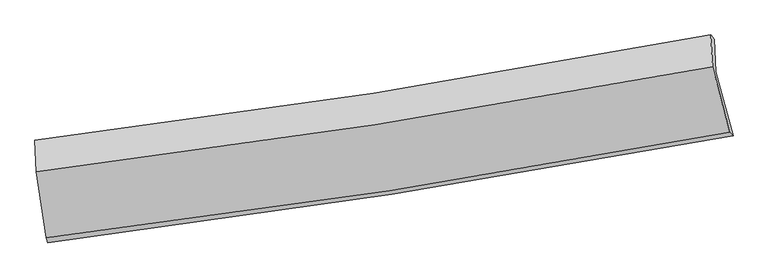
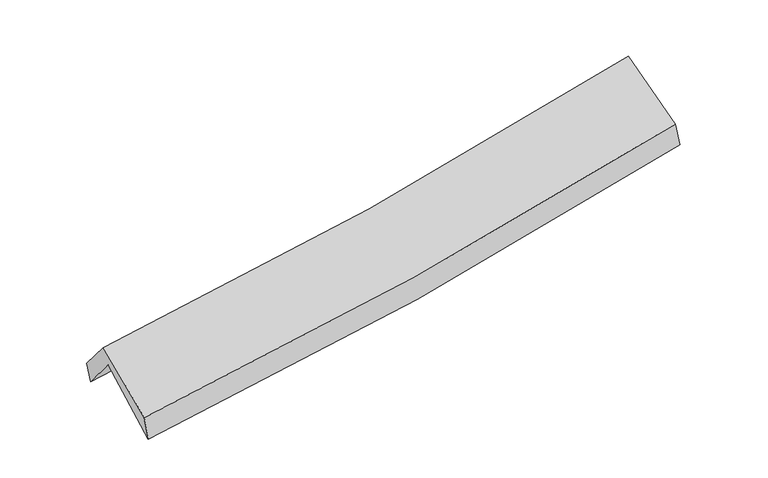
"""IFC4 building model written with IfcOpenShell, lengths in millimetres: proxy geometry."""

import ifcopenshell
import ifcopenshell.guid

model = None  # the IFC model being written
_history = None  # IfcOwnerHistory: only IFC2X3 demands one
_inside = {}  # id of a spatial element -> (the spatial element, [elements in it])
_under = {}  # id of a project, library or spatial element -> (it, [spatial elements below it])
_declared = {}  # id of a project -> (the project, [libraries it declares])
_typed = {}  # id of a type object -> (the type object, [elements of that type])
_made_of = {}  # id of a material, layer set ... -> (it, [elements and type objects made of it])


def new_model(schema):
    """Start an empty IFC model of exactly this schema.

    Asked for "IFC4X3", IfcOpenShell would pick the latest addendum, in which some entities
    have other attributes; the version numbers below select the first issue.
    IFC2X3 requires an IfcOwnerHistory on every rooted entity: one is made here for all.
    """
    global model, _history
    if schema == "IFC4X3":
        model = ifcopenshell.file(schema_version=(4, 3, 0, 0))
    else:
        model = ifcopenshell.file(schema=schema)
    _inside.clear()
    _under.clear()
    _declared.clear()
    _typed.clear()
    _made_of.clear()
    _history = None
    if model.schema == "IFC2X3":
        org = make("IfcOrganization", Name="unknown")
        user = make(
            "IfcPersonAndOrganization",
            ThePerson=make("IfcPerson", FamilyName="unknown"),
            TheOrganization=org,
        )
        app = make(
            "IfcApplication",
            ApplicationDeveloper=org,
            Version="unknown",
            ApplicationFullName="unknown",
            ApplicationIdentifier="unknown",
        )
        _history = make(
            "IfcOwnerHistory",
            OwningUser=user,
            OwningApplication=app,
            ChangeAction="ADDED",
            CreationDate=0,
        )
    return model


def make(cls, **values):
    """One entity of the class cls with the attributes given. An attribute that is None is left unset."""
    return model.create_entity(
        cls, **{name: value for name, value in values.items() if value is not None}
    )


def rooted(cls, **values):
    """An entity with a GlobalId (a new one), such as an element, a storey or a relation."""
    return make(cls, GlobalId=ifcopenshell.guid.new(), OwnerHistory=_history, **values)


def si_unit(unit_type, name, prefix=None):
    """IfcSIUnit, for example si_unit("LENGTHUNIT", "METRE", prefix="MILLI")."""
    return make("IfcSIUnit", UnitType=unit_type, Prefix=prefix, Name=name)


def assignment(units):
    """IfcUnitAssignment: the units of a project."""
    return None if units is None else make("IfcUnitAssignment", Units=units)


def point(xyz):
    """IfcCartesianPoint."""
    return None if xyz is None else make("IfcCartesianPoint", Coordinates=xyz)


def direction(xyz):
    """IfcDirection."""
    return None if xyz is None else make("IfcDirection", DirectionRatios=xyz)


def frame(location, z_axis=None, x_axis=None):
    """IfcAxis2Placement3D, a coordinate frame: its origin and axes. An axis left out is left unset."""
    return make(
        "IfcAxis2Placement3D",
        Location=point(location),
        Axis=direction(z_axis),
        RefDirection=direction(x_axis),
    )


def origin():
    """The frame at (0, 0, 0) with its axes left unset."""
    return frame((0.0, 0.0, 0.0))


def place(relative_to, where):
    """IfcLocalPlacement: puts the frame where relative to a parent placement (None: the world)."""
    return make(
        "IfcLocalPlacement", PlacementRelTo=relative_to, RelativePlacement=where
    )


def context(
    kind, dimensions, precision=None, world=None, true_north=None, identifier=None
):
    """IfcGeometricRepresentationContext, for example the 3D "Model" context."""
    return make(
        "IfcGeometricRepresentationContext",
        ContextIdentifier=identifier,
        ContextType=kind,
        CoordinateSpaceDimension=dimensions,
        Precision=precision,
        WorldCoordinateSystem=world,
        TrueNorth=true_north,
    )


def project(units=None, contexts=None):
    """IfcProject with its units and contexts."""
    return rooted(
        "IfcProject",
        Name="project",
        RepresentationContexts=contexts,
        UnitsInContext=assignment(units),
    )


def spatial(cls, under=None, at=None, **own):
    """A site, building, storey or space (cls), placed at a placement, below another one or the project."""
    s = rooted(cls, ObjectPlacement=at, **own)
    if under is not None:
        _under.setdefault(under.id(), (under, []))[1].append(s)
    return s


def shape(context_of_items, identifier, shape_type, items):
    """IfcShapeRepresentation: the items that make up one representation, for example the "Body"."""
    return make(
        "IfcShapeRepresentation",
        ContextOfItems=context_of_items,
        RepresentationIdentifier=identifier,
        RepresentationType=shape_type,
        Items=items,
    )


def source(mapping_origin, context_of_items, identifier, shape_type, items):
    """IfcRepresentationMap: a shape defined once, which mapped items show again and again."""
    return make(
        "IfcRepresentationMap",
        MappingOrigin=mapping_origin,
        MappedRepresentation=shape(context_of_items, identifier, shape_type, items),
    )


def transform(
    local_origin,
    x_axis=None,
    y_axis=None,
    z_axis=None,
    scale=None,
    scale2=None,
    scale3=None,
    uniform=True,
):
    """IfcCartesianTransformationOperator3D, or its non-uniform kind. x_axis, y_axis, z_axis: its Axis1, 2, 3."""
    if uniform:
        return make(
            "IfcCartesianTransformationOperator3D",
            Axis1=direction(x_axis),
            Axis2=direction(y_axis),
            LocalOrigin=point(local_origin),
            Scale=scale,
            Axis3=direction(z_axis),
        )
    return make(
        "IfcCartesianTransformationOperator3DnonUniform",
        Axis1=direction(x_axis),
        Axis2=direction(y_axis),
        LocalOrigin=point(local_origin),
        Scale=scale,
        Axis3=direction(z_axis),
        Scale2=scale2,
        Scale3=scale3,
    )


def mapped(mapping_source, mapping_target):
    """IfcMappedItem: shows the shape of a source again, moved by a transform."""
    return make(
        "IfcMappedItem", MappingSource=mapping_source, MappingTarget=mapping_target
    )


def made_of(thing, what):
    """Note that an element or type object is made of a material, layer set ...; save() writes the relation."""
    if what is not None:
        _made_of.setdefault(what.id(), (what, []))[1].append(thing)
    return thing


def element(
    cls,
    number,
    at=None,
    inside=None,
    cuts=None,
    type_object=None,
    material=None,
    context=None,
    identifier="Body",
    shape_type=None,
    held_by="IfcProductDefinitionShape",
    body=None,
    shapes=None,
    **own,
):
    """One element of the class cls, such as IfcWall. Its Tag is "e" and its number.

    at: its placement. inside: the storey or other place that contains it. cuts: it is an
    opening in that element (IfcRelVoidsElement). A single representation is given by context,
    identifier, shape_type and body (its items); several are given by shapes. held_by: the class
    of the entity that holds the representations. save() writes the other relations.
    """
    e = rooted(cls, Tag="e%d" % number, ObjectPlacement=at, **own)
    if body is not None:
        shapes = [shape(context, identifier, shape_type, body)]
    if shapes is not None:
        e.Representation = make(held_by, Representations=shapes)
    if inside is not None:
        _inside.setdefault(inside.id(), (inside, []))[1].append(e)
    if cuts is not None:
        rooted(
            "IfcRelVoidsElement", RelatingBuildingElement=cuts, RelatedOpeningElement=e
        )
    if type_object is not None:
        _typed.setdefault(type_object.id(), (type_object, []))[1].append(e)
    return made_of(e, material)


def aggregate(whole, parts):
    """IfcRelAggregates: a whole, such as a stair, and the parts it consists of."""
    return rooted("IfcRelAggregates", RelatingObject=whole, RelatedObjects=parts)


def save(model, path):
    """Write the relations noted so far, then the file.

    IfcRelAggregates (storeys below a building ...), IfcRelContainedInSpatialStructure (elements
    in a storey), IfcRelDefinesByType, IfcRelAssociatesMaterial and IfcRelDeclares: one each for
    every whole, place, type object, material and project.
    """
    for whole, parts in _under.values():
        aggregate(whole, parts)
    for where, things in _inside.values():
        rooted(
            "IfcRelContainedInSpatialStructure",
            RelatedElements=things,
            RelatingStructure=where,
        )
    for kind, things in _typed.values():
        rooted("IfcRelDefinesByType", RelatedObjects=things, RelatingType=kind)
    for what, things in _made_of.values():
        rooted("IfcRelAssociatesMaterial", RelatedObjects=things, RelatingMaterial=what)
    for by, libraries in _declared.values():
        rooted("IfcRelDeclares", RelatingContext=by, RelatedDefinitions=libraries)
    model.write(path)


def plane_surface(at):
    """IfcPlane: the flat surface through the origin of the frame at, square to its z axis."""
    return make("IfcPlane", Position=at)


def spline_curve(degree, points, multiplicities, knots, weights=None):
    """IfcBSplineCurveWithKnots; with weights, IfcRationalBSplineCurveWithKnots."""
    own = dict(
        Degree=degree,
        ControlPointsList=[point(p) for p in points],
        CurveForm="UNSPECIFIED",
        ClosedCurve=False,
        SelfIntersect=False,
        KnotMultiplicities=multiplicities,
        Knots=knots,
        KnotSpec="UNSPECIFIED",
    )
    if weights is None:
        return make("IfcBSplineCurveWithKnots", **own)
    return make("IfcRationalBSplineCurveWithKnots", WeightsData=weights, **own)


def spline_surface(u_degree, v_degree, points, u_multiplicities, v_multiplicities, u_knots, v_knots, weights=None):
    """IfcBSplineSurfaceWithKnots; with weights, IfcRationalBSplineSurfaceWithKnots. points: one row for each step in u."""
    own = dict(
        UDegree=u_degree,
        VDegree=v_degree,
        ControlPointsList=[[point(p) for p in row] for row in points],
        SurfaceForm="UNSPECIFIED",
        UClosed=False,
        VClosed=False,
        SelfIntersect=False,
        UMultiplicities=u_multiplicities,
        VMultiplicities=v_multiplicities,
        UKnots=u_knots,
        VKnots=v_knots,
        KnotSpec="UNSPECIFIED",
    )
    if weights is None:
        return make("IfcBSplineSurfaceWithKnots", **own)
    return make("IfcRationalBSplineSurfaceWithKnots", WeightsData=weights, **own)


def advanced_brep(points, edges, surfaces, faces):
    """IfcAdvancedBrep: a solid bounded by faces that lie on surfaces and meet in shared edges.

    An edge is (start, end): straight between two places in points (the first is 0);
    or (start, end, curve); or (start, end, curve, False) where it runs against its curve.
    A face is (place in surfaces, loops), or (place, loops, False) where it looks against
    its surface's normal. A loop lists edges by number (the first is 1), with a minus sign
    where the edge is run from its end to its start. The first loop is the outer one.
    """
    corners = [point(p) for p in points]
    vertices = [make("IfcVertexPoint", VertexGeometry=c) for c in corners]
    made = []
    for start, end, *more in edges:
        made.append(
            make(
                "IfcEdgeCurve",
                EdgeStart=vertices[start],
                EdgeEnd=vertices[end],
                EdgeGeometry=more[0] if more else make("IfcPolyline", Points=[corners[start], corners[end]]),
                SameSense=more[1] if len(more) > 1 else True,
            )
        )
    hull = []
    for where, loops, *sense in faces:
        bounds = []
        for j, loop in enumerate(loops):
            ring = [make("IfcOrientedEdge", EdgeElement=made[abs(k) - 1], Orientation=k > 0) for k in loop]
            bounds.append(
                make(
                    "IfcFaceOuterBound" if j == 0 else "IfcFaceBound",
                    Bound=make("IfcEdgeLoop", EdgeList=ring),
                    Orientation=True,
                )
            )
        hull.append(make("IfcAdvancedFace", Bounds=bounds, FaceSurface=surfaces[where], SameSense=sense[0] if sense else True))
    return make("IfcAdvancedBrep", Outer=make("IfcClosedShell", CfsFaces=hull))


def generic_models_6640aa74(model_context):
    return source(origin(), model_context, "Body", "AdvancedBrep", [
        advanced_brep(
        [(-2593.8029662, -2492.1463255, 1476.5674839), (-2670.533107, -1988.1020107, 1913.1494938), (2606.4597409, -1159.1804098, 2371.8322842), (2742.8027902, -1658.9121001, 1944.9786895), (-2682.1750758, -1732.5911081, 1601.5458272), (2595.0190006, -908.0859496, 2065.6146094), (-2694.3278654, -1694.4638288, 1758.7100379), (2569.3450889, -872.5351666, 2241.7388917), (-2683.2580434, -1937.4175986, 2054.999882), (2582.6631303, -1120.7855354, 2526.176424), (-2607.6255099, -2452.3669203, 1662.8945881), (2717.1103477, -1631.3296988, 2134.3025261)],
        [
            (0, 1),
            (1, 2, spline_curve(3, [(-2670.533107, -1988.1020107, 1913.1494938), (-1785.441223227, -1875.977191424, 1959.069266215), (-903.596388567, -1750.922634346, 2020.197554878), (855.414660457, -1474.668923656, 2173.028901745), (1732.567441597, -1323.416280172, 2264.794876472), (2606.4597409, -1159.1804098, 2371.8322842)], [4, 2, 4], [0.0, 8.837942834542423, 17.694147821044034])),
            (2, 3),
            (3, 0, spline_curve(3, [(2742.8027902, -1658.9121001, 1944.9786895), (1860.183944294, -1824.071910294, 1833.2416994), (973.694391139, -1976.146174596, 1738.315982803), (-805.190141402, -2253.837005152, 1582.248175175), (-1697.569173624, -2379.507482926, 1521.036822924), (-2593.8029662, -2492.1463255, 1476.5674839)], [4, 2, 4], [0.0, 8.856204986501611, 17.694147821044034])),
            (1, 4),
            (4, 5, spline_curve(3, [(-2682.1750758, -1732.5911081, 1601.5458272), (-1797.033033577, -1621.567134721, 1648.808116578), (-915.146359452, -1497.430846716, 1711.05626288), (843.931800207, -1222.650038471, 1865.683861456), (1721.109817979, -1071.951274017, 1958.125309002), (2595.0190006, -908.0859496, 2065.6146094)], [4, 2, 4], [0.0, 8.788450102125665, 17.59506008763771])),
            (5, 2),
            (4, 6),
            (6, 7, spline_curve(3, [(-2694.3278654, -1694.4638288, 1758.7100379), (-1811.691362635, -1586.873386241, 1817.516597913), (-932.183186652, -1464.669899982, 1887.119583257), (822.387406342, -1190.754132614, 2048.084537272), (1697.436881839, -1038.981397771, 2139.49116962), (2569.3450889, -872.5351666, 2241.7388917)], [4, 2, 4], [0.0, 8.77831118281626, 17.574761298613517])),
            (7, 5),
            (6, 8),
            (8, 9, spline_curve(3, [(-2683.2580434, -1937.4175986, 2054.999882), (-1799.946959223, -1830.269296801, 2105.263424483), (-919.914179625, -1708.727582062, 2169.604837476), (835.406440619, -1436.576439005, 2326.605445647), (1710.680718751, -1285.907465921, 2419.322879694), (2582.6631303, -1120.7855354, 2526.176424)], [4, 2, 4], [0.0, 8.768794980889572, 17.555709231097577])),
            (9, 7),
            (8, 10),
            (10, 11, spline_curve(3, [(-2607.6255099, -2452.3669203, 1662.8945881), (-1713.600344721, -2344.744595635, 1712.477476411), (-823.313883707, -2222.599285574, 1776.497454403), (951.613535903, -1948.980292724, 1933.573708394), (1836.239027046, -1797.446528859, 2026.689709893), (2717.1103477, -1631.3296988, 2134.3025261)], [4, 2, 4], [0.0, 8.817397691730484, 17.65301508226934])),
            (11, 9),
            (10, 0),
            (3, 11),
        ],
        [
            spline_surface(3, 3, [[(-2593.8029662, -2492.1463255, 1476.5674839), (-1697.569173514, -2379.507482927, 1521.036822995), (-805.19014131, -2253.837005231, 1582.248175075), (973.694391047, -1976.146174517, 1738.315982904), (1860.183944355, -1824.071910427, 1833.241699359), (2742.8027902, -1658.9121001, 1944.9786895)], [(-2619.379679804, -2324.131553883, 1622.094820538), (-1726.859856755, -2211.664052377, 1667.047637437), (-837.992223712, -2086.19888161, 1728.231301689), (934.267814129, -1808.987090892, 1883.220289151), (1817.645110103, -1657.186700384, 1977.092758405), (2697.355107113, -1492.334870014, 2087.263221053)], [(-2644.956393396, -2156.116782317, 1767.622157162), (-1756.150539985, -2043.820621878, 1813.058451865), (-870.794306058, -1918.560757986, 1874.214428333), (894.841237267, -1641.828007263, 2028.124595428), (1775.106275811, -1490.301490298, 2120.943817493), (2651.907423987, -1325.757639886, 2229.547752647)], [(-2670.533107, -1988.1020107, 1913.1494938), (-1785.441223226, -1875.977191329, 1959.069266307), (-903.596388459, -1750.922634365, 2020.197554947), (855.414660349, -1474.668923637, 2173.028901676), (1732.56744156, -1323.416280254, 2264.794876539), (2606.4597409, -1159.1804098, 2371.8322842)]], [4, 4], [4, 2, 4], [0.0, 2.211402285193517], [0.0, 8.837942834542423, 17.694147821044034]),
            spline_surface(3, 3, [[(-2670.533107, -1988.1020107, 1913.1494938), (-1785.441223226, -1875.977191329, 1959.069266307), (-903.596388459, -1750.922634365, 2020.197554947), (855.414660349, -1474.668923637, 2173.028901676), (1732.56744156, -1323.416280254, 2264.794876539), (2606.4597409, -1159.1804098, 2371.8322842)], [(-2674.41376326, -1902.931709855, 1809.281604935), (-1789.305160022, -1791.173839178, 1855.648883037), (-907.446378746, -1666.425371776, 1917.150457627), (851.587040259, -1390.662628635, 2070.580554932), (1728.748233687, -1239.594611507, 2162.571687381), (2602.646160818, -1075.482256404, 2269.759725938)], [(-2678.29441954, -1817.761408945, 1705.413716065), (-1793.169096839, -1706.370486962, 1752.228499763), (-911.296369036, -1581.928109166, 1814.10336026), (847.759420167, -1306.656333612, 1968.132208141), (1724.929025761, -1155.772942748, 2060.348498209), (2598.832580682, -991.784102996, 2167.687167662)], [(-2682.1750758, -1732.5911081, 1601.5458272), (-1797.033033635, -1621.567134812, 1648.808116494), (-915.146359323, -1497.430846577, 1711.056262939), (843.931800078, -1222.65003861, 1865.683861398), (1721.109817888, -1071.951274001, 1958.12530905), (2595.0190006, -908.0859496, 2065.6146094)]], [4, 4], [4, 2, 4], [0.0, 1.3083511726793726], [0.0, 8.788450102125665, 17.59506008763771]),
            spline_surface(3, 3, [[(-2682.1750758, -1732.5911081, 1601.5458272), (-1797.033033635, -1621.567134812, 1648.808116494), (-915.146359323, -1497.430846577, 1711.056262939), (843.931800078, -1222.65003861, 1865.683861398), (1721.109817888, -1071.951274001, 1958.12530905), (2595.0190006, -908.0859496, 2065.6146094)], [(-2686.226005681, -1719.882014979, 1653.933897425), (-1801.919143338, -1610.002551891, 1705.044276963), (-920.82530177, -1486.510531065, 1769.744036407), (836.750335538, -1212.018069941, 1926.484086633), (1713.218839187, -1060.961315291, 2018.580595912), (2586.461030003, -896.235688585, 2124.322703499)], [(-2690.276935519, -1707.172921921, 1706.321967675), (-1806.805252998, -1598.437969032, 1761.280437459), (-926.504244269, -1475.590215529, 1828.431809916), (829.568870946, -1201.386101248, 1987.28431191), (1705.327860578, -1049.971356626, 2079.035882777), (2577.903059497, -884.385427615, 2183.030797601)], [(-2694.3278654, -1694.4638288, 1758.7100379), (-1811.6913627, -1586.873386111, 1817.516597928), (-932.183186716, -1464.669900017, 1887.119583384), (822.387406406, -1190.754132579, 2048.084537145), (1697.436881877, -1038.981397917, 2139.491169638), (2569.3450889, -872.5351666, 2241.7388917)]], [4, 4], [4, 2, 4], [0.0, 0.6008849613553523], [0.0, 8.77831118281626, 17.574761298613517]),
            spline_surface(3, 3, [[(-2694.3278654, -1694.4638288, 1758.7100379), (-1811.6913627, -1586.873386111, 1817.516597928), (-932.183186716, -1464.669900017, 1887.119583384), (822.387406406, -1190.754132579, 2048.084537145), (1697.436881877, -1038.981397917, 2139.491169638), (2569.3450889, -872.5351666, 2241.7388917)], [(-2690.637924743, -1775.448418739, 1857.47331928), (-1807.77656159, -1668.005356354, 1913.432206775), (-928.093517645, -1546.022460672, 1981.281334786), (826.727084452, -1272.694901366, 2140.924839965), (1701.85149412, -1121.290087288, 2232.768406369), (2573.784436033, -955.285289529, 2336.551402477)], [(-2686.947984057, -1856.433008661, 1956.23660062), (-1803.861760453, -1749.137326581, 2009.347815582), (-924.003848597, -1627.3750214, 2075.443086152), (831.066762474, -1354.635670225, 2233.765142749), (1706.266106364, -1203.598776671, 2326.045643069), (2578.223783167, -1038.035412471, 2431.363913223)], [(-2683.2580434, -1937.4175986, 2054.999882), (-1799.946959343, -1830.269296824, 2105.263424429), (-919.914179526, -1708.727582056, 2169.604837554), (835.40644052, -1436.576439011, 2326.605445569), (1710.680718607, -1285.907466042, 2419.322879799), (2582.6631303, -1120.7855354, 2526.176424)]], [4, 4], [4, 2, 4], [0.0, 1.2224643369244987], [0.0, 8.768794980889572, 17.555709231097577]),
            spline_surface(3, 3, [[(-2683.2580434, -1937.4175986, 2054.999882), (-1799.946959343, -1830.269296824, 2105.263424429), (-919.914179526, -1708.727582056, 2169.604837554), (835.40644052, -1436.576439011, 2326.605445569), (1710.680718607, -1285.907466042, 2419.322879799), (2582.6631303, -1120.7855354, 2526.176424)], [(-2658.047198894, -2109.067372502, 1924.298117361), (-1771.164754479, -2001.761063116, 1974.334775096), (-887.714080893, -1880.018149951, 2038.569043195), (874.14213891, -1607.377723553, 2195.594866519), (1752.533488104, -1456.420486949, 2288.445156439), (2627.478869433, -1290.966923209, 2395.551791354)], [(-2632.836354406, -2280.717146398, 1793.596352739), (-1742.382549633, -2173.2528294, 1843.40612578), (-855.513982194, -2051.308717806, 1907.533248787), (912.877837367, -1778.179008054, 2064.584287419), (1794.386257604, -1626.93350783, 2157.567433118), (2672.294608567, -1461.148310991, 2264.927158746)], [(-2607.6255099, -2452.3669203, 1662.8945881), (-1713.600344769, -2344.744595692, 1712.477476448), (-823.313883561, -2222.599285701, 1776.497454428), (951.613535757, -1948.980292596, 1933.573708369), (1836.239027101, -1797.446528737, 2026.689709758), (2717.1103477, -1631.3296988, 2134.3025261)]], [4, 4], [4, 2, 4], [0.0, 2.149234354444664], [0.0, 8.817397691730484, 17.65301508226934]),
            spline_surface(3, 3, [[(-2607.6255099, -2452.3669203, 1662.8945881), (-1713.600344769, -2344.744595692, 1712.477476448), (-823.313883561, -2222.599285701, 1776.497454428), (951.613535757, -1948.980292596, 1933.573708369), (1836.239027101, -1797.446528737, 2026.689709758), (2717.1103477, -1631.3296988, 2134.3025261)], [(-2603.01799532, -2465.626722042, 1600.785553362), (-1708.256621003, -2356.332224779, 1648.663925293), (-817.272636129, -2233.011858872, 1711.747694623), (958.973820869, -1958.035586563, 1868.48779986), (1844.220666186, -1806.32165596, 1962.207039638), (2725.6744952, -1640.523832559, 2071.19458058)], [(-2598.41048078, -2478.886523758, 1538.676518638), (-1702.912897279, -2367.91985384, 1584.85037415), (-811.231388743, -2243.424432061, 1646.99793488), (966.334105935, -1967.09088055, 1803.401891412), (1852.20230527, -1815.196783205, 1897.724369479), (2734.2386427, -1649.717966341, 2008.08663502)], [(-2593.8029662, -2492.1463255, 1476.5674839), (-1697.569173514, -2379.507482927, 1521.036822995), (-805.19014131, -2253.837005231, 1582.248175075), (973.694391047, -1976.146174517, 1738.315982904), (1860.183944355, -1824.071910427, 1833.241699359), (2742.8027902, -1658.9121001, 1944.9786895)]], [4, 4], [4, 2, 4], [0.0, 0.6494579476676468], [0.0, 8.876417940185299, 17.77117753479309]),
            plane_surface(frame((2635.5666831, -1225.1381434, 2214.1072375), z_axis=(0.978639031646295, 0.17539104572709133, 0.10725496173678603), x_axis=(0.2044847542738898, -0.7765017366989565, -0.5960126157834676))),
            plane_surface(frame((-2655.2870946, -2049.514632, 1744.6445522), z_axis=(-0.9929429930532285, -0.10717059260911808, -0.05078067177880628), x_axis=(-0.07235917083156324, 0.20823987480894132, 0.9753975112415068))),
        ],
        [
            (0, [[1, 2, 3, 4]]),
            (1, [[5, 6, 7, -2]]),
            (2, [[8, 9, 10, -6]]),
            (3, [[11, 12, 13, -9]]),
            (4, [[14, 15, 16, -12]]),
            (5, [[17, -4, 18, -15]]),
            (6, [[-16, -18, -3, -7, -10, -13]]),
            (7, [[-17, -14, -11, -8, -5, -1]]),
        ],
    ),
    ])


if __name__ == "__main__":
    model = new_model("IFC4")
    model_context = context("Model", 3, world=origin())
    ifc_project = project(units=[si_unit("LENGTHUNIT", "METRE", prefix="MILLI")], contexts=[model_context])
    site = spatial("IfcSite", under=ifc_project)
    building = spatial("IfcBuilding", under=site)
    placement = place(None, origin())
    generic_models_shape = generic_models_6640aa74(model_context)
    element("IfcBuildingElementProxy", 1, Name="Generic Models", at=placement, inside=building, context=model_context, shape_type="MappedRepresentation", body=[
        mapped(generic_models_shape, transform((0.0, 0.0, 0.0), x_axis=(1.0, 0.0, 0.0), y_axis=(0.0, 1.0, 0.0), z_axis=(0.0, 0.0, 1.0))),
    ])
    save(model, "model.ifc")
